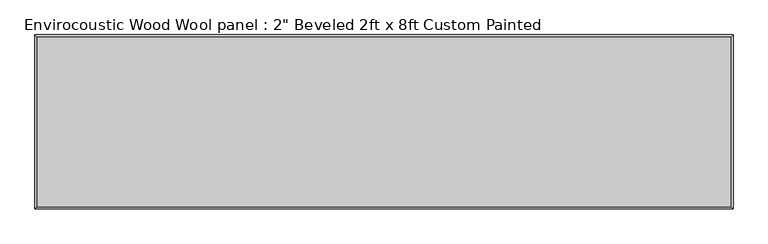
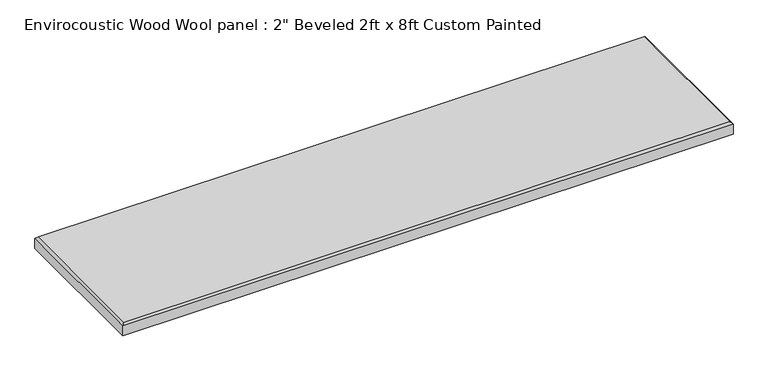
"""IFC4 building model written with IfcOpenShell, lengths in millimetres: proxy geometry."""

from ifc_helpers import new_model, si_unit, origin, place, context, project, spatial, faceted_brep, source, transform, mapped, element, save


def proxy_9902f343(model_context):
    return source(origin(), model_context, "Body", "Brep", [
        faceted_brep([(1211.199, 296.799, 50.8), (-1211.199, 296.799, 50.8), (-1211.199, -296.799, 50.8), (1211.199, -296.799, 50.8), (-1219.2, 304.8, 0.0), (1219.2, 304.8, 0.0), (1219.2, -304.8, 0.0), (-1219.2, -304.8, 0.0), (-1219.2, -304.8, 42.799), (-1219.2, 304.8, 42.799), (1219.2, -304.8, 42.799), (1219.2, 304.8, 42.799)], [[[0, 1, 2, 3]], [[4, 5, 6, 7]], [[4, 7, 8, 9]], [[7, 6, 10, 8]], [[6, 5, 11, 10]], [[5, 4, 9, 11]], [[9, 1, 0, 11]], [[1, 9, 8, 2]], [[2, 8, 10, 3]], [[11, 0, 3, 10]]]),
    ])


if __name__ == "__main__":
    model = new_model("IFC4")
    model_context = context("Model", 3, world=origin())
    ifc_project = project(units=[si_unit("LENGTHUNIT", "METRE", prefix="MILLI")], contexts=[model_context])
    site = spatial("IfcSite", under=ifc_project)
    building = spatial("IfcBuilding", under=site)
    placement = place(None, origin())
    proxy_shape = proxy_9902f343(model_context)
    element("IfcBuildingElementProxy", 1, Name="Envirocoustic Wood Wool panel : 2\" Beveled 2ft x 8ft Custom Painted", ObjectType="Envirocoustic Wood Wool panel : 2\" Beveled 2ft x 8ft Custom Painted", at=placement, inside=building, context=model_context, shape_type="MappedRepresentation", body=[
        mapped(proxy_shape, transform((0.0, 0.0, 0.0), x_axis=(1.0, 0.0, 0.0), y_axis=(0.0, 1.0, 0.0), z_axis=(0.0, 0.0, 1.0))),
    ])
    save(model, "model.ifc")
